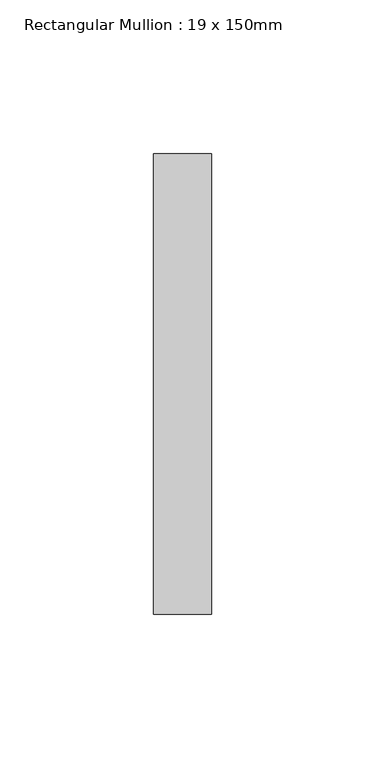
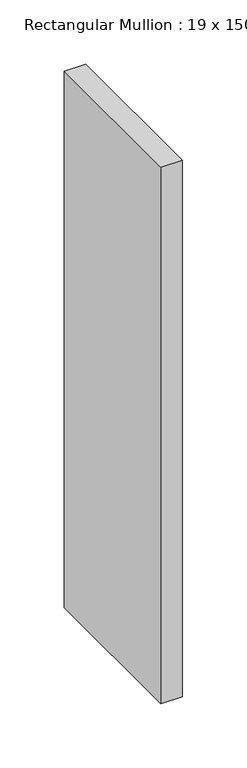
"""IFC4 building model written with IfcOpenShell, lengths in millimetres: member geometry, Rectangular Mullion : 19 x 150mm."""

from ifc_helpers import new_model, si_unit, frame, origin, place, context, project, spatial, polyline, outline, extrude, source, transform, mapped, element, save


def rectangular_mullion_19_x_150mm_940d71b7(model_context):
    return source(origin(), model_context, "Body", "SweptSolid", [
        extrude(outline(polyline([(0.0, -25.0), (0.0, -175.0), (-19.0, -175.0), (-19.0, -25.0), (0.0, -25.0)])), frame((0.0, 0.0, -508.4997052), z_axis=(0.0, 0.0, 1.0), x_axis=(1.0, 0.0, 0.0)), (0.0, 0.0, 1.0), 508.4997052),
    ])


if __name__ == "__main__":
    model = new_model("IFC4")
    model_context = context("Model", 3, world=origin())
    ifc_project = project(units=[si_unit("LENGTHUNIT", "METRE", prefix="MILLI")], contexts=[model_context])
    site = spatial("IfcSite", under=ifc_project)
    building = spatial("IfcBuilding", under=site)
    placement = place(None, origin())
    rectangular_mullion_19_x_150mm_shape = rectangular_mullion_19_x_150mm_940d71b7(model_context)
    element("IfcMember", 1, ObjectType="Rectangular Mullion : 19 x 150mm", at=placement, inside=building, context=model_context, shape_type="MappedRepresentation", body=[
        mapped(rectangular_mullion_19_x_150mm_shape, transform((0.0, 0.0, 0.0), x_axis=(1.0, 0.0, 0.0), y_axis=(0.0, 1.0, 0.0), z_axis=(0.0, 0.0, 1.0))),
    ])
    save(model, "model.ifc")
